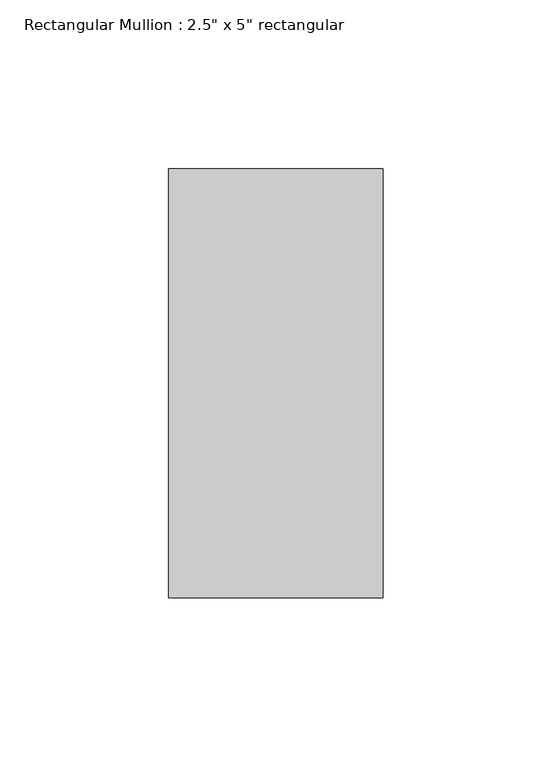
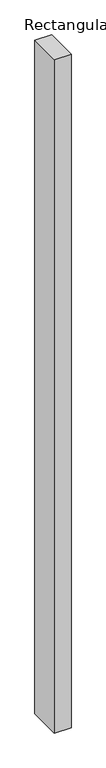
"""IFC4 building model written with IfcOpenShell, lengths in millimetres: member geometry."""

import ifcopenshell
import ifcopenshell.guid

model = None  # the IFC model being written
_history = None  # IfcOwnerHistory: only IFC2X3 demands one
_inside = {}  # id of a spatial element -> (the spatial element, [elements in it])
_under = {}  # id of a project, library or spatial element -> (it, [spatial elements below it])
_declared = {}  # id of a project -> (the project, [libraries it declares])
_typed = {}  # id of a type object -> (the type object, [elements of that type])
_made_of = {}  # id of a material, layer set ... -> (it, [elements and type objects made of it])


def new_model(schema):
    """Start an empty IFC model of exactly this schema.

    Asked for "IFC4X3", IfcOpenShell would pick the latest addendum, in which some entities
    have other attributes; the version numbers below select the first issue.
    IFC2X3 requires an IfcOwnerHistory on every rooted entity: one is made here for all.
    """
    global model, _history
    if schema == "IFC4X3":
        model = ifcopenshell.file(schema_version=(4, 3, 0, 0))
    else:
        model = ifcopenshell.file(schema=schema)
    _inside.clear()
    _under.clear()
    _declared.clear()
    _typed.clear()
    _made_of.clear()
    _history = None
    if model.schema == "IFC2X3":
        org = make("IfcOrganization", Name="unknown")
        user = make(
            "IfcPersonAndOrganization",
            ThePerson=make("IfcPerson", FamilyName="unknown"),
            TheOrganization=org,
        )
        app = make(
            "IfcApplication",
            ApplicationDeveloper=org,
            Version="unknown",
            ApplicationFullName="unknown",
            ApplicationIdentifier="unknown",
        )
        _history = make(
            "IfcOwnerHistory",
            OwningUser=user,
            OwningApplication=app,
            ChangeAction="ADDED",
            CreationDate=0,
        )
    return model


def make(cls, **values):
    """One entity of the class cls with the attributes given. An attribute that is None is left unset."""
    return model.create_entity(
        cls, **{name: value for name, value in values.items() if value is not None}
    )


def rooted(cls, **values):
    """An entity with a GlobalId (a new one), such as an element, a storey or a relation."""
    return make(cls, GlobalId=ifcopenshell.guid.new(), OwnerHistory=_history, **values)


def si_unit(unit_type, name, prefix=None):
    """IfcSIUnit, for example si_unit("LENGTHUNIT", "METRE", prefix="MILLI")."""
    return make("IfcSIUnit", UnitType=unit_type, Prefix=prefix, Name=name)


def assignment(units):
    """IfcUnitAssignment: the units of a project."""
    return None if units is None else make("IfcUnitAssignment", Units=units)


def point(xyz):
    """IfcCartesianPoint."""
    return None if xyz is None else make("IfcCartesianPoint", Coordinates=xyz)


def direction(xyz):
    """IfcDirection."""
    return None if xyz is None else make("IfcDirection", DirectionRatios=xyz)


def frame(location, z_axis=None, x_axis=None):
    """IfcAxis2Placement3D, a coordinate frame: its origin and axes. An axis left out is left unset."""
    return make(
        "IfcAxis2Placement3D",
        Location=point(location),
        Axis=direction(z_axis),
        RefDirection=direction(x_axis),
    )


def origin():
    """The frame at (0, 0, 0) with its axes left unset."""
    return frame((0.0, 0.0, 0.0))


def place(relative_to, where):
    """IfcLocalPlacement: puts the frame where relative to a parent placement (None: the world)."""
    return make(
        "IfcLocalPlacement", PlacementRelTo=relative_to, RelativePlacement=where
    )


def context(
    kind, dimensions, precision=None, world=None, true_north=None, identifier=None
):
    """IfcGeometricRepresentationContext, for example the 3D "Model" context."""
    return make(
        "IfcGeometricRepresentationContext",
        ContextIdentifier=identifier,
        ContextType=kind,
        CoordinateSpaceDimension=dimensions,
        Precision=precision,
        WorldCoordinateSystem=world,
        TrueNorth=true_north,
    )


def project(units=None, contexts=None):
    """IfcProject with its units and contexts."""
    return rooted(
        "IfcProject",
        Name="project",
        RepresentationContexts=contexts,
        UnitsInContext=assignment(units),
    )


def spatial(cls, under=None, at=None, **own):
    """A site, building, storey or space (cls), placed at a placement, below another one or the project."""
    s = rooted(cls, ObjectPlacement=at, **own)
    if under is not None:
        _under.setdefault(under.id(), (under, []))[1].append(s)
    return s


def polyline(points):
    """IfcPolyline through the points."""
    return make("IfcPolyline", Points=[point(p) for p in points])


def outline(outer, holes=None, kind="AREA"):
    """IfcArbitraryClosedProfileDef: a profile drawn as a closed curve; with holes, ...WithVoids."""
    if holes is None:
        return make("IfcArbitraryClosedProfileDef", ProfileType=kind, OuterCurve=outer)
    return make(
        "IfcArbitraryProfileDefWithVoids",
        ProfileType=kind,
        OuterCurve=outer,
        InnerCurves=holes,
    )


def extrude(swept, where, along, depth):
    """IfcExtrudedAreaSolid: the profile swept, set in the frame where, extruded along a direction by depth."""
    return make(
        "IfcExtrudedAreaSolid",
        SweptArea=swept,
        Position=where,
        ExtrudedDirection=direction(along),
        Depth=depth,
    )


def shape(context_of_items, identifier, shape_type, items):
    """IfcShapeRepresentation: the items that make up one representation, for example the "Body"."""
    return make(
        "IfcShapeRepresentation",
        ContextOfItems=context_of_items,
        RepresentationIdentifier=identifier,
        RepresentationType=shape_type,
        Items=items,
    )


def source(mapping_origin, context_of_items, identifier, shape_type, items):
    """IfcRepresentationMap: a shape defined once, which mapped items show again and again."""
    return make(
        "IfcRepresentationMap",
        MappingOrigin=mapping_origin,
        MappedRepresentation=shape(context_of_items, identifier, shape_type, items),
    )


def transform(
    local_origin,
    x_axis=None,
    y_axis=None,
    z_axis=None,
    scale=None,
    scale2=None,
    scale3=None,
    uniform=True,
):
    """IfcCartesianTransformationOperator3D, or its non-uniform kind. x_axis, y_axis, z_axis: its Axis1, 2, 3."""
    if uniform:
        return make(
            "IfcCartesianTransformationOperator3D",
            Axis1=direction(x_axis),
            Axis2=direction(y_axis),
            LocalOrigin=point(local_origin),
            Scale=scale,
            Axis3=direction(z_axis),
        )
    return make(
        "IfcCartesianTransformationOperator3DnonUniform",
        Axis1=direction(x_axis),
        Axis2=direction(y_axis),
        LocalOrigin=point(local_origin),
        Scale=scale,
        Axis3=direction(z_axis),
        Scale2=scale2,
        Scale3=scale3,
    )


def mapped(mapping_source, mapping_target):
    """IfcMappedItem: shows the shape of a source again, moved by a transform."""
    return make(
        "IfcMappedItem", MappingSource=mapping_source, MappingTarget=mapping_target
    )


def made_of(thing, what):
    """Note that an element or type object is made of a material, layer set ...; save() writes the relation."""
    if what is not None:
        _made_of.setdefault(what.id(), (what, []))[1].append(thing)
    return thing


def element(
    cls,
    number,
    at=None,
    inside=None,
    cuts=None,
    type_object=None,
    material=None,
    context=None,
    identifier="Body",
    shape_type=None,
    held_by="IfcProductDefinitionShape",
    body=None,
    shapes=None,
    **own,
):
    """One element of the class cls, such as IfcWall. Its Tag is "e" and its number.

    at: its placement. inside: the storey or other place that contains it. cuts: it is an
    opening in that element (IfcRelVoidsElement). A single representation is given by context,
    identifier, shape_type and body (its items); several are given by shapes. held_by: the class
    of the entity that holds the representations. save() writes the other relations.
    """
    e = rooted(cls, Tag="e%d" % number, ObjectPlacement=at, **own)
    if body is not None:
        shapes = [shape(context, identifier, shape_type, body)]
    if shapes is not None:
        e.Representation = make(held_by, Representations=shapes)
    if inside is not None:
        _inside.setdefault(inside.id(), (inside, []))[1].append(e)
    if cuts is not None:
        rooted(
            "IfcRelVoidsElement", RelatingBuildingElement=cuts, RelatedOpeningElement=e
        )
    if type_object is not None:
        _typed.setdefault(type_object.id(), (type_object, []))[1].append(e)
    return made_of(e, material)


def aggregate(whole, parts):
    """IfcRelAggregates: a whole, such as a stair, and the parts it consists of."""
    return rooted("IfcRelAggregates", RelatingObject=whole, RelatedObjects=parts)


def save(model, path):
    """Write the relations noted so far, then the file.

    IfcRelAggregates (storeys below a building ...), IfcRelContainedInSpatialStructure (elements
    in a storey), IfcRelDefinesByType, IfcRelAssociatesMaterial and IfcRelDeclares: one each for
    every whole, place, type object, material and project.
    """
    for whole, parts in _under.values():
        aggregate(whole, parts)
    for where, things in _inside.values():
        rooted(
            "IfcRelContainedInSpatialStructure",
            RelatedElements=things,
            RelatingStructure=where,
        )
    for kind, things in _typed.values():
        rooted("IfcRelDefinesByType", RelatedObjects=things, RelatingType=kind)
    for what, things in _made_of.values():
        rooted("IfcRelAssociatesMaterial", RelatedObjects=things, RelatingMaterial=what)
    for by, libraries in _declared.values():
        rooted("IfcRelDeclares", RelatingContext=by, RelatedDefinitions=libraries)
    model.write(path)


def member_bee47bf7(model_context):
    return source(origin(), model_context, "Body", "SweptSolid", [
        extrude(outline(polyline([(31.75, 63.5), (31.75, -63.5), (-31.75, -63.5), (-31.75, 63.5), (31.75, 63.5)])), frame((0.0, 0.0, -2698.75), z_axis=(0.0, 0.0, 1.0), x_axis=(1.0, 0.0, 0.0)), (0.0, 0.0, 1.0), 2698.75),
    ])


if __name__ == "__main__":
    model = new_model("IFC4")
    model_context = context("Model", 3, world=origin())
    ifc_project = project(units=[si_unit("LENGTHUNIT", "METRE", prefix="MILLI")], contexts=[model_context])
    site = spatial("IfcSite", under=ifc_project)
    building = spatial("IfcBuilding", under=site)
    placement = place(None, origin())
    member_shape = member_bee47bf7(model_context)
    element("IfcMember", 1, ObjectType="Rectangular Mullion : 2.5\" x 5\" rectangular", at=placement, inside=building, context=model_context, shape_type="MappedRepresentation", body=[
        mapped(member_shape, transform((0.0, 0.0, 0.0), x_axis=(1.0, 0.0, 0.0), y_axis=(0.0, 1.0, 0.0), z_axis=(0.0, 0.0, 1.0))),
    ])
    save(model, "model.ifc")
